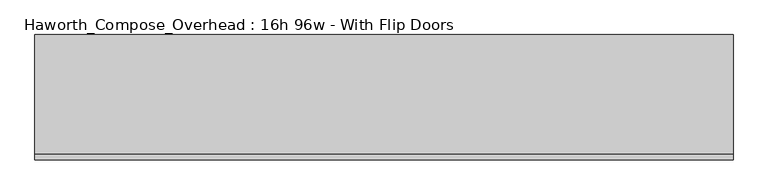
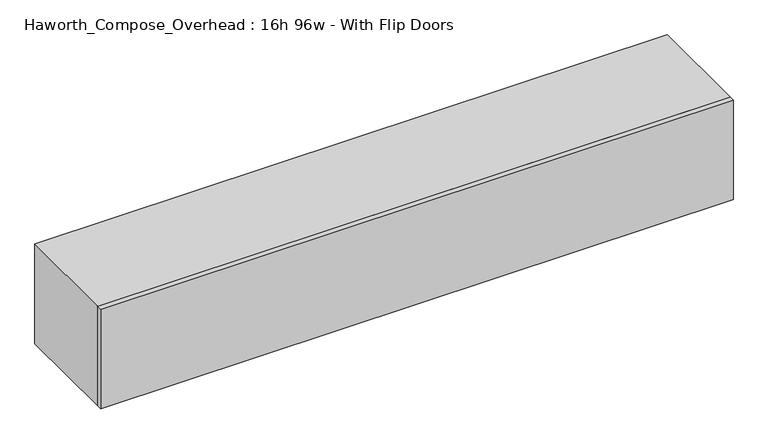
"""IFC4 building model written with IfcOpenShell, lengths in millimetres: furniture geometry, Haworth_Compose_Overhead : 16h 96w - With Flip Doors."""

from ifc_helpers import new_model, si_unit, frame, origin, place, context, project, spatial, polyline, outline, extrude, source, transform, mapped, element, save


def haworth_compose_overhead_16h_96w_with_flip_doors_200e0c18(model_context):
    return source(origin(), model_context, "Body", "SweptSolid", [
        extrude(outline(polyline([(1384.3, -438.15), (-1054.1, -438.15), (-1054.1, -419.1), (1384.3, -419.1), (1384.3, -438.15)])), frame((0.0, 0.0, 1270.0), z_axis=(0.0, 0.0, 1.0), x_axis=(1.0, 0.0, 0.0)), (0.0, 0.0, 1.0), 406.4),
        extrude(outline(polyline([(1358.9, -6.35), (-1028.7, -6.35), (-1028.7, 0.0), (1358.9, 0.0), (1358.9, -6.35)])), frame((0.0, 0.0, 1295.4), z_axis=(0.0, 0.0, 1.0), x_axis=(1.0, 0.0, 0.0)), (0.0, 0.0, 1.0), 355.6),
        extrude(outline(polyline([(1270.0, 1384.3), (1676.4, 1384.3), (1676.4, -1054.1), (1270.0, -1054.1), (1270.0, 1384.3)]), holes=[polyline([(1651.0, 1358.9), (1295.4, 1358.9), (1295.4, -1028.7), (1651.0, -1028.7), (1651.0, 1358.9)])]), frame((0.0, -419.1, 0.0), z_axis=(0.0, 1.0, 0.0), x_axis=(0.0, 0.0, 1.0)), (0.0, 0.0, 1.0), 419.1),
    ])


if __name__ == "__main__":
    model = new_model("IFC4")
    model_context = context("Model", 3, world=origin())
    ifc_project = project(units=[si_unit("LENGTHUNIT", "METRE", prefix="MILLI")], contexts=[model_context])
    site = spatial("IfcSite", under=ifc_project)
    building = spatial("IfcBuilding", under=site)
    placement = place(None, origin())
    haworth_compose_overhead_16h_96w_with_flip_doors_shape = haworth_compose_overhead_16h_96w_with_flip_doors_200e0c18(model_context)
    element("IfcFurniture", 1, ObjectType="Haworth_Compose_Overhead : 16h 96w - With Flip Doors", at=placement, inside=building, context=model_context, shape_type="MappedRepresentation", body=[
        mapped(haworth_compose_overhead_16h_96w_with_flip_doors_shape, transform((0.0, 0.0, 0.0), x_axis=(1.0, 0.0, 0.0), y_axis=(0.0, 1.0, 0.0), z_axis=(0.0, 0.0, 1.0))),
    ])
    save(model, "model.ifc")
